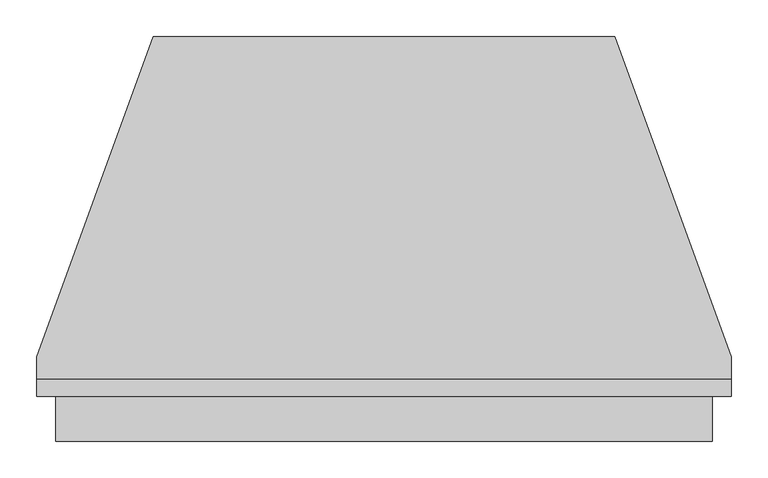
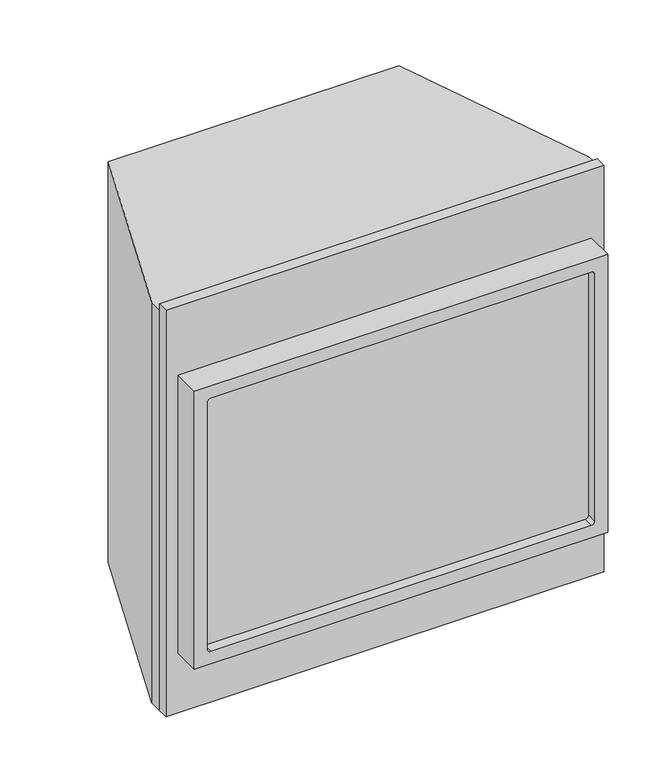
"""IFC4 building model written with IfcOpenShell, lengths in millimetres: proxy geometry."""

from ifc_helpers import new_model, si_unit, frame, origin, origin_with_axes, place, context, project, spatial, polyline, circle_curve, outline, extrude, source, transform, mapped, element, save
from ifc_brep_helpers import plane_surface, revolved_surface, advanced_brep


def generic_models_932bd7da(model_context):
    return source(origin(), model_context, "Body", "SolidModel", [
        advanced_brep(
        [(446.88125, -23.7235995, 771.525), (-446.88125, -23.7235995, 771.525), (-446.88125, -84.4803998, 771.525), (446.88125, -84.4803998, 771.525), (446.88125, -23.7235995, 136.525), (446.88125, -84.4803998, 136.525), (-446.88125, -84.4803998, 136.525), (-446.88125, -23.7235995, 136.525), (-411.3113884, -84.4803998, 165.0954583), (-418.310786, -84.4803998, 172.0804435), (-418.310786, -84.4803998, 735.9695623), (-411.3088452, -84.4803998, 742.9545417), (411.299759, -84.4803998, 742.9545417), (418.3016997, -84.4803998, 735.9695623), (418.301702, -84.4803998, 172.0804435), (411.3310972, -84.4803998, 165.0954583), (-418.310786, -62.1207902, 172.0804435), (-411.3113884, -62.1207902, 165.0954583), (411.3310972, -62.1207902, 165.0954583), (418.3016997, -62.1207902, 172.0804435), (418.3016997, -62.1207902, 735.9695623), (411.299759, -62.1207902, 742.9545417), (-411.3088452, -62.1207902, 742.9545417), (-418.310786, -62.1207902, 735.9695623)],
        [
            (0, 1),
            (1, 2),
            (2, 3),
            (3, 0),
            (4, 5),
            (5, 6),
            (6, 7),
            (7, 4),
            (0, 4),
            (7, 1),
            (6, 2),
            (5, 3),
            (8, 9, circle_curve(frame((-411.325786, -84.4803998, 172.0804435), z_axis=(0.0, 1.0, 0.0), x_axis=(1.0, 0.0, 0.0)), 6.985)),
            (9, 10),
            (10, 11, circle_curve(frame((-411.325786, -84.4803998, 735.9695623), z_axis=(0.0, 1.0, 0.0), x_axis=(1.0, 0.0, 0.0)), 6.985)),
            (11, 12),
            (12, 13, circle_curve(frame((411.3166997, -84.4803998, 735.9695623), z_axis=(0.0, 1.0, 0.0), x_axis=(1.0, 0.0, 0.0)), 6.985)),
            (13, 14),
            (14, 15, circle_curve(frame((411.3166997, -84.4803998, 172.0804435), z_axis=(0.0, 1.0, 0.0), x_axis=(1.0, 0.0, 0.0)), 6.985)),
            (15, 8),
            (16, 17, circle_curve(frame((-411.325786, -62.1207902, 172.0804435), z_axis=(0.0, -1.0, 0.0), x_axis=(1.0, 0.0, 0.0)), 6.985)),
            (17, 18),
            (18, 19, circle_curve(frame((411.3166997, -62.1207902, 172.0804435), z_axis=(0.0, -1.0, 0.0), x_axis=(1.0, 0.0, 0.0)), 6.985)),
            (19, 20),
            (20, 21, circle_curve(frame((411.3166997, -62.1207902, 735.9695623), z_axis=(0.0, -1.0, 0.0), x_axis=(1.0, 0.0, 0.0)), 6.985)),
            (21, 22),
            (22, 23, circle_curve(frame((-411.325786, -62.1207902, 735.9695623), z_axis=(0.0, -1.0, 0.0), x_axis=(1.0, 0.0, 0.0)), 6.985)),
            (23, 16),
            (16, 9),
            (8, 17),
            (18, 15),
            (14, 19),
            (13, 20),
            (12, 21),
            (11, 22),
            (10, 23),
        ],
        [
            plane_surface(frame((-430.2633107, -23.7235995, 771.525), z_axis=(0.0, 0.0, 1.0), x_axis=(-1.0, 0.0, 0.0))),
            plane_surface(frame((-430.2633107, -23.7235995, 136.525), z_axis=(0.0, 0.0, -1.0), x_axis=(1.0, 0.0, 0.0))),
            plane_surface(frame((446.88125, -23.7235995, 771.525), z_axis=(0.0, 1.0, 0.0), x_axis=(0.0, 0.0, -1.0))),
            plane_surface(frame((-446.88125, -23.7235995, 771.525), z_axis=(-1.0, 0.0, 0.0), x_axis=(0.0, 0.0, -1.0))),
            plane_surface(frame((-446.88125, -84.4803998, 771.525), z_axis=(0.0, -1.0, 0.0), x_axis=(0.0, 0.0, -1.0))),
            plane_surface(frame((446.88125, -84.4803998, 771.525), z_axis=(1.0, 0.0, 0.0), x_axis=(0.0, 0.0, -1.0))),
            plane_surface(frame((-404.340786, -62.1207902, 172.0804435), z_axis=(0.0, -1.0, 0.0), x_axis=(0.0, 0.0, -1.0))),
            revolved_surface(polyline([(-404.340786, -84.4803998, 172.0804435), (-404.340786, -62.1207902, 172.0804435)]), (-411.325786, -62.1207902, 172.0804435), (0.0, -1.0, 0.0)),
            revolved_surface(polyline([(418.30169970000003, -84.4803998, 172.0804435), (418.30169970000003, -62.1207902, 172.0804435)]), (411.3166997, -62.1207902, 172.0804435), (0.0, -1.0, 0.0)),
            plane_surface(frame((418.301702, -474.6625, 172.0804435), z_axis=(-1.0, 0.0, -4.013098925577709e-09), x_axis=(0.0, 1.0, 0.0))),
            revolved_surface(polyline([(418.30169970000003, -84.4803998, 735.9695623), (418.30169970000003, -62.1207902, 735.9695623)]), (411.3166997, -62.1207902, 735.9695623), (0.0, -1.0, 0.0)),
            plane_surface(frame((411.299759, -474.6625, 742.9545417), z_axis=(0.0, 0.0, -1.0), x_axis=(0.0, 1.0, 0.0))),
            revolved_surface(polyline([(-404.340786, -84.4803998, 735.9695623), (-404.340786, -62.1207902, 735.9695623)]), (-411.325786, -62.1207902, 735.9695623), (0.0, -1.0, 0.0)),
            plane_surface(frame((-418.310786, -474.6625, 735.9695623), z_axis=(1.0, 0.0, -1.0205106309356796e-08), x_axis=(0.0, 1.0, 0.0))),
            plane_surface(frame((-411.3113884, -474.6625, 165.0954583), z_axis=(0.0, 0.0, 1.0), x_axis=(0.0, 1.0, 0.0))),
        ],
        [
            (0, [[1, 2, 3, 4]]),
            (1, [[5, 6, 7, 8]]),
            (2, [[-1, 9, -8, 10]]),
            (3, [[-2, -10, -7, 11]]),
            (4, [[-3, -11, -6, 12], [13, 14, 15, 16, 17, 18, 19, 20]]),
            (5, [[-4, -12, -5, -9]]),
            (6, [[21, 22, 23, 24, 25, 26, 27, 28]]),
            (7, [[-21, 29, -13, 30]]),
            (8, [[-23, 31, -19, 32]]),
            (9, [[-24, -32, -18, 33]]),
            (10, [[-25, -33, -17, 34]]),
            (11, [[-26, -34, -16, 35]]),
            (12, [[-27, -35, -15, 36]]),
            (13, [[-28, -36, -14, -29]]),
            (14, [[-22, -30, -20, -31]]),
        ],
    ),
        extrude(outline(polyline([(473.075, 0.0), (473.075, -23.7235995), (-473.075, -23.7235995), (-473.075, 0.0), (473.075, 0.0)])), origin_with_axes(), (0.0, 0.0, 1.0), 928.6875),
        extrude(outline(polyline([(-314.1235571, 467.057743), (314.1235571, 467.057743), (473.075, 30.3422504), (473.075, 0.0), (-473.075, 0.0), (-473.075, 30.3422504), (-314.1235571, 467.057743)])), origin_with_axes(), (0.0, 0.0, 1.0), 914.4),
    ])


if __name__ == "__main__":
    model = new_model("IFC4")
    model_context = context("Model", 3, world=origin())
    ifc_project = project(units=[si_unit("LENGTHUNIT", "METRE", prefix="MILLI")], contexts=[model_context])
    site = spatial("IfcSite", under=ifc_project)
    building = spatial("IfcBuilding", under=site)
    placement = place(None, origin())
    generic_models_shape = generic_models_932bd7da(model_context)
    element("IfcBuildingElementProxy", 1, Name="Generic Models", at=placement, inside=building, context=model_context, shape_type="MappedRepresentation", body=[
        mapped(generic_models_shape, transform((0.0, 0.0, 0.0), x_axis=(1.0, 0.0, 0.0), y_axis=(0.0, 1.0, 0.0), z_axis=(0.0, 0.0, 1.0))),
    ])
    save(model, "model.ifc")
